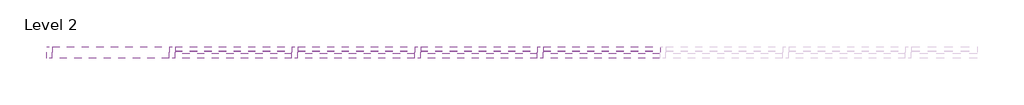
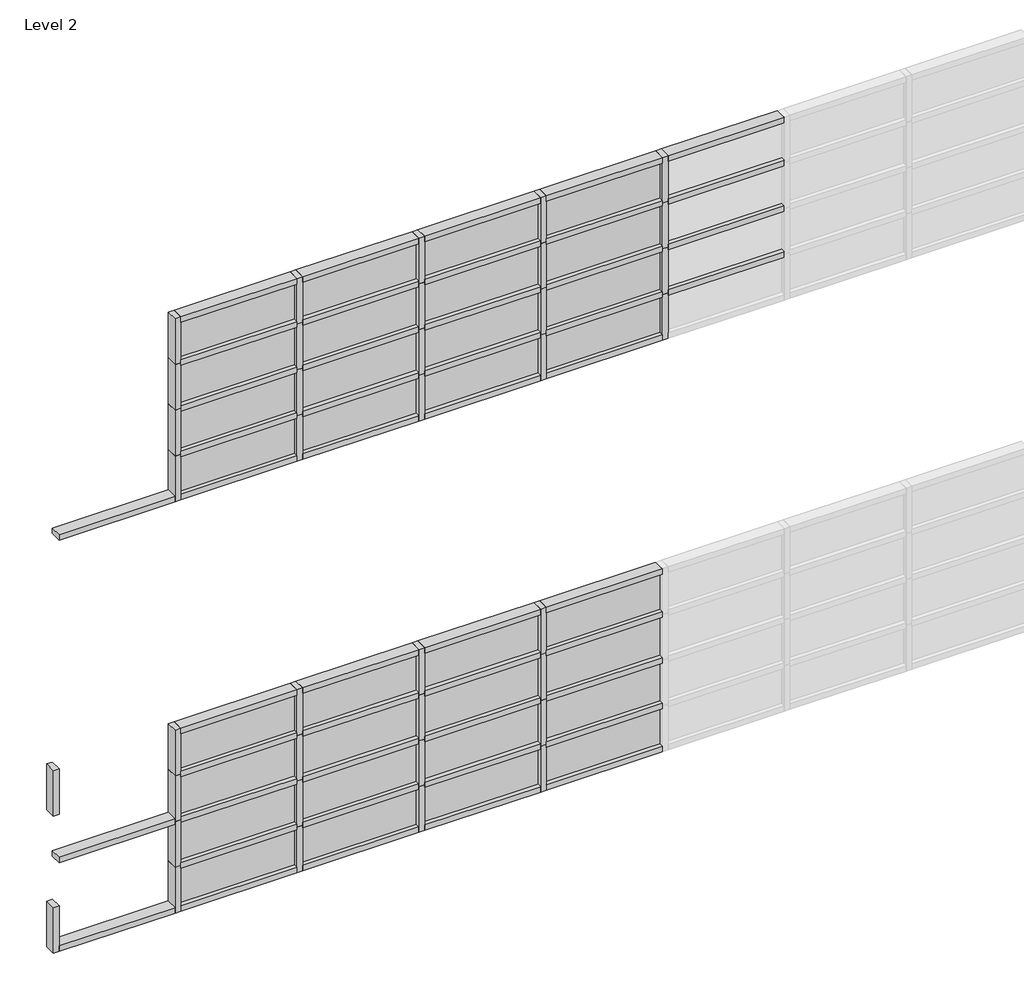
# One storey, part 4 of 6: 85 members, 32 plates.
"""IFC4 building model written with IfcOpenShell, lengths in millimetres."""

import ifcopenshell
import ifcopenshell.guid

model = None  # the IFC model being written
_history = None  # IfcOwnerHistory: only IFC2X3 demands one
_inside = {}  # id of a spatial element -> (the spatial element, [elements in it])
_under = {}  # id of a project, library or spatial element -> (it, [spatial elements below it])
_declared = {}  # id of a project -> (the project, [libraries it declares])
_typed = {}  # id of a type object -> (the type object, [elements of that type])
_made_of = {}  # id of a material, layer set ... -> (it, [elements and type objects made of it])


def new_model(schema):
    """Start an empty IFC model of exactly this schema.

    Asked for "IFC4X3", IfcOpenShell would pick the latest addendum, in which some entities
    have other attributes; the version numbers below select the first issue.
    IFC2X3 requires an IfcOwnerHistory on every rooted entity: one is made here for all.
    """
    global model, _history
    if schema == "IFC4X3":
        model = ifcopenshell.file(schema_version=(4, 3, 0, 0))
    else:
        model = ifcopenshell.file(schema=schema)
    _inside.clear()
    _under.clear()
    _declared.clear()
    _typed.clear()
    _made_of.clear()
    _history = None
    if model.schema == "IFC2X3":
        org = make("IfcOrganization", Name="unknown")
        user = make(
            "IfcPersonAndOrganization",
            ThePerson=make("IfcPerson", FamilyName="unknown"),
            TheOrganization=org,
        )
        app = make(
            "IfcApplication",
            ApplicationDeveloper=org,
            Version="unknown",
            ApplicationFullName="unknown",
            ApplicationIdentifier="unknown",
        )
        _history = make(
            "IfcOwnerHistory",
            OwningUser=user,
            OwningApplication=app,
            ChangeAction="ADDED",
            CreationDate=0,
        )
    return model


def make(cls, **values):
    """One entity of the class cls with the attributes given. An attribute that is None is left unset."""
    return model.create_entity(
        cls, **{name: value for name, value in values.items() if value is not None}
    )


def rooted(cls, **values):
    """An entity with a GlobalId (a new one), such as an element, a storey or a relation."""
    return make(cls, GlobalId=ifcopenshell.guid.new(), OwnerHistory=_history, **values)


def si_unit(unit_type, name, prefix=None):
    """IfcSIUnit, for example si_unit("LENGTHUNIT", "METRE", prefix="MILLI")."""
    return make("IfcSIUnit", UnitType=unit_type, Prefix=prefix, Name=name)


def assignment(units):
    """IfcUnitAssignment: the units of a project."""
    return None if units is None else make("IfcUnitAssignment", Units=units)


def point(xyz):
    """IfcCartesianPoint."""
    return None if xyz is None else make("IfcCartesianPoint", Coordinates=xyz)


def direction(xyz):
    """IfcDirection."""
    return None if xyz is None else make("IfcDirection", DirectionRatios=xyz)


def frame(location, z_axis=None, x_axis=None):
    """IfcAxis2Placement3D, a coordinate frame: its origin and axes. An axis left out is left unset."""
    return make(
        "IfcAxis2Placement3D",
        Location=point(location),
        Axis=direction(z_axis),
        RefDirection=direction(x_axis),
    )


def origin():
    """The frame at (0, 0, 0) with its axes left unset."""
    return frame((0.0, 0.0, 0.0))


def origin_with_axes():
    """The frame at (0, 0, 0) with the z axis (0, 0, 1) and the x axis (1, 0, 0) written out."""
    return frame((0.0, 0.0, 0.0), z_axis=(0.0, 0.0, 1.0), x_axis=(1.0, 0.0, 0.0))


def place(relative_to, where):
    """IfcLocalPlacement: puts the frame where relative to a parent placement (None: the world)."""
    return make(
        "IfcLocalPlacement", PlacementRelTo=relative_to, RelativePlacement=where
    )


def context(
    kind, dimensions, precision=None, world=None, true_north=None, identifier=None
):
    """IfcGeometricRepresentationContext, for example the 3D "Model" context."""
    return make(
        "IfcGeometricRepresentationContext",
        ContextIdentifier=identifier,
        ContextType=kind,
        CoordinateSpaceDimension=dimensions,
        Precision=precision,
        WorldCoordinateSystem=world,
        TrueNorth=true_north,
    )


def project(units=None, contexts=None):
    """IfcProject with its units and contexts."""
    return rooted(
        "IfcProject",
        Name="project",
        RepresentationContexts=contexts,
        UnitsInContext=assignment(units),
    )


def spatial(cls, under=None, at=None, **own):
    """A site, building, storey or space (cls), placed at a placement, below another one or the project."""
    s = rooted(cls, ObjectPlacement=at, **own)
    if under is not None:
        _under.setdefault(under.id(), (under, []))[1].append(s)
    return s


def polyline(points):
    """IfcPolyline through the points."""
    return make("IfcPolyline", Points=[point(p) for p in points])


def outline(outer, holes=None, kind="AREA"):
    """IfcArbitraryClosedProfileDef: a profile drawn as a closed curve; with holes, ...WithVoids."""
    if holes is None:
        return make("IfcArbitraryClosedProfileDef", ProfileType=kind, OuterCurve=outer)
    return make(
        "IfcArbitraryProfileDefWithVoids",
        ProfileType=kind,
        OuterCurve=outer,
        InnerCurves=holes,
    )


def extrude(swept, where, along, depth):
    """IfcExtrudedAreaSolid: the profile swept, set in the frame where, extruded along a direction by depth."""
    return make(
        "IfcExtrudedAreaSolid",
        SweptArea=swept,
        Position=where,
        ExtrudedDirection=direction(along),
        Depth=depth,
    )


def shape(context_of_items, identifier, shape_type, items):
    """IfcShapeRepresentation: the items that make up one representation, for example the "Body"."""
    return make(
        "IfcShapeRepresentation",
        ContextOfItems=context_of_items,
        RepresentationIdentifier=identifier,
        RepresentationType=shape_type,
        Items=items,
    )


def source(mapping_origin, context_of_items, identifier, shape_type, items):
    """IfcRepresentationMap: a shape defined once, which mapped items show again and again."""
    return make(
        "IfcRepresentationMap",
        MappingOrigin=mapping_origin,
        MappedRepresentation=shape(context_of_items, identifier, shape_type, items),
    )


def transform(
    local_origin,
    x_axis=None,
    y_axis=None,
    z_axis=None,
    scale=None,
    scale2=None,
    scale3=None,
    uniform=True,
):
    """IfcCartesianTransformationOperator3D, or its non-uniform kind. x_axis, y_axis, z_axis: its Axis1, 2, 3."""
    if uniform:
        return make(
            "IfcCartesianTransformationOperator3D",
            Axis1=direction(x_axis),
            Axis2=direction(y_axis),
            LocalOrigin=point(local_origin),
            Scale=scale,
            Axis3=direction(z_axis),
        )
    return make(
        "IfcCartesianTransformationOperator3DnonUniform",
        Axis1=direction(x_axis),
        Axis2=direction(y_axis),
        LocalOrigin=point(local_origin),
        Scale=scale,
        Axis3=direction(z_axis),
        Scale2=scale2,
        Scale3=scale3,
    )


def mapped(mapping_source, mapping_target):
    """IfcMappedItem: shows the shape of a source again, moved by a transform."""
    return make(
        "IfcMappedItem", MappingSource=mapping_source, MappingTarget=mapping_target
    )


def made_of(thing, what):
    """Note that an element or type object is made of a material, layer set ...; save() writes the relation."""
    if what is not None:
        _made_of.setdefault(what.id(), (what, []))[1].append(thing)
    return thing


def element(
    cls,
    number,
    at=None,
    inside=None,
    cuts=None,
    type_object=None,
    material=None,
    context=None,
    identifier="Body",
    shape_type=None,
    held_by="IfcProductDefinitionShape",
    body=None,
    shapes=None,
    **own,
):
    """One element of the class cls, such as IfcWall. Its Tag is "e" and its number.

    at: its placement. inside: the storey or other place that contains it. cuts: it is an
    opening in that element (IfcRelVoidsElement). A single representation is given by context,
    identifier, shape_type and body (its items); several are given by shapes. held_by: the class
    of the entity that holds the representations. save() writes the other relations.
    """
    e = rooted(cls, Tag="e%d" % number, ObjectPlacement=at, **own)
    if body is not None:
        shapes = [shape(context, identifier, shape_type, body)]
    if shapes is not None:
        e.Representation = make(held_by, Representations=shapes)
    if inside is not None:
        _inside.setdefault(inside.id(), (inside, []))[1].append(e)
    if cuts is not None:
        rooted(
            "IfcRelVoidsElement", RelatingBuildingElement=cuts, RelatedOpeningElement=e
        )
    if type_object is not None:
        _typed.setdefault(type_object.id(), (type_object, []))[1].append(e)
    return made_of(e, material)


def aggregate(whole, parts):
    """IfcRelAggregates: a whole, such as a stair, and the parts it consists of."""
    return rooted("IfcRelAggregates", RelatingObject=whole, RelatedObjects=parts)


def save(model, path):
    """Write the relations noted so far, then the file.

    IfcRelAggregates (storeys below a building ...), IfcRelContainedInSpatialStructure (elements
    in a storey), IfcRelDefinesByType, IfcRelAssociatesMaterial and IfcRelDeclares: one each for
    every whole, place, type object, material and project.
    """
    for whole, parts in _under.values():
        aggregate(whole, parts)
    for where, things in _inside.values():
        rooted(
            "IfcRelContainedInSpatialStructure",
            RelatedElements=things,
            RelatingStructure=where,
        )
    for kind, things in _typed.values():
        rooted("IfcRelDefinesByType", RelatedObjects=things, RelatingType=kind)
    for what, things in _made_of.values():
        rooted("IfcRelAssociatesMaterial", RelatedObjects=things, RelatingMaterial=what)
    for by, libraries in _declared.values():
        rooted("IfcRelDeclares", RelatingContext=by, RelatedDefinitions=libraries)
    model.write(path)


def rechteckiger_pfosten_6_x_12_57ab8b33(model_context):
    return source(origin(), model_context, "Body", "SweptSolid", [
        extrude(outline(polyline([(30.0, 60.0), (30.0, -60.0), (-30.0, -60.0), (-30.0, 60.0), (30.0, 60.0)])), frame((0.0, 0.0, -1200.625), z_axis=(0.0, 0.0, 1.0), x_axis=(1.0, 0.0, 0.0)), (0.0, 0.0, 1.0), 1200.625),
    ])


def rechteckiger_pfosten_6_x_12_1631a10d(model_context):
    return source(origin(), model_context, "Body", "SweptSolid", [
        extrude(outline(polyline([(0.0, 60.0), (0.0, -60.0), (-60.0, -60.0), (-60.0, 60.0), (0.0, 60.0)])), frame((0.0, 0.0, -1200.625), z_axis=(0.0, 0.0, 1.0), x_axis=(1.0, 0.0, 0.0)), (0.0, 0.0, 1.0), 1200.625),
    ])


def rechteckiger_pfosten_6_x_12_57de19b3(model_context):
    return source(origin(), model_context, "Body", "SweptSolid", [
        extrude(outline(polyline([(30.0, 60.0), (30.0, -60.0), (-30.0, -60.0), (-30.0, 60.0), (30.0, 60.0)])), frame((0.0, 0.0, -500.0), z_axis=(0.0, 0.0, 1.0), x_axis=(1.0, 0.0, 0.0)), (0.0, 0.0, 1.0), 500.0),
    ])


def systemelement_verglasung_12eb7eeb(model_context):
    return source(origin(), model_context, "Body", "SweptSolid", [
        extrude(outline(polyline([(600.3125, -15.0), (-600.3125, -15.0), (-600.3125, 15.0), (600.3125, 15.0), (600.3125, -15.0)])), origin_with_axes(), (0.0, 0.0, 1.0), 410.0),
    ])


def systemelement_verglasung_6db45de5(model_context):
    return source(origin(), model_context, "Body", "SweptSolid", [
        extrude(outline(polyline([(600.3125, -15.0), (-600.3125, -15.0), (-600.3125, 15.0), (600.3125, 15.0), (600.3125, -15.0)])), origin_with_axes(), (0.0, 0.0, 1.0), 440.0),
    ])


model = new_model("IFC4")

# Units and contexts
model_context = context("Model", 3, world=origin())
ifc_project = project(units=[si_unit("LENGTHUNIT", "METRE", prefix="MILLI")], contexts=[model_context])

# Site, building, storey
site = spatial("IfcSite", under=ifc_project)
building = spatial("IfcBuilding", under=site)
storey = spatial("IfcBuildingStorey", under=building, Name="Level 2", Elevation=4000.0)

# Members
placement = place(None, origin())
rechteckiger_pfosten_6_x_12_shape = rechteckiger_pfosten_6_x_12_57ab8b33(model_context)
element("IfcMember", 1, ObjectType="Rechteckiger Pfosten : 6 x 12", at=placement, inside=storey, context=model_context, shape_type="MappedRepresentation", body=[
    mapped(rechteckiger_pfosten_6_x_12_shape, transform((-1347.5187212, -5607.2112506, 11000.0), x_axis=(0.0, 0.0, 1.0), y_axis=(0.0, 1.0, 0.0), z_axis=(-1.0, 0.0, 0.0))),
])
element("IfcMember", 2, ObjectType="Rechteckiger Pfosten : 6 x 12", at=placement, inside=storey, context=model_context, shape_type="MappedRepresentation", body=[
    mapped(rechteckiger_pfosten_6_x_12_shape, transform((-2608.1437212, -5607.2112506, 11000.0), x_axis=(0.0, 0.0, 1.0), y_axis=(0.0, 1.0, 0.0), z_axis=(-1.0, 0.0, 0.0))),
])
element("IfcMember", 3, ObjectType="Rechteckiger Pfosten : 6 x 12", at=placement, inside=storey, context=model_context, shape_type="MappedRepresentation", body=[
    mapped(rechteckiger_pfosten_6_x_12_shape, transform((-3868.7687212, -5607.2112506, 11000.0), x_axis=(0.0, 0.0, 1.0), y_axis=(0.0, 1.0, 0.0), z_axis=(-1.0, 0.0, 0.0))),
])
element("IfcMember", 4, ObjectType="Rechteckiger Pfosten : 6 x 12", at=placement, inside=storey, context=model_context, shape_type="MappedRepresentation", body=[
    mapped(rechteckiger_pfosten_6_x_12_shape, transform((-5129.3937212, -5607.2112506, 11000.0), x_axis=(0.0, 0.0, 1.0), y_axis=(0.0, 1.0, 0.0), z_axis=(-1.0, 0.0, 0.0))),
])
element("IfcMember", 5, ObjectType="Rechteckiger Pfosten : 6 x 12", at=placement, inside=storey, context=model_context, shape_type="MappedRepresentation", body=[
    mapped(rechteckiger_pfosten_6_x_12_shape, transform((-6390.0187212, -5607.2112506, 11000.0), x_axis=(0.0, 0.0, 1.0), y_axis=(0.0, 1.0, 0.0), z_axis=(-1.0, 0.0, 0.0))),
])
element("IfcMember", 6, ObjectType="Rechteckiger Pfosten : 6 x 12", at=placement, inside=storey, context=model_context, shape_type="MappedRepresentation", body=[
    mapped(rechteckiger_pfosten_6_x_12_shape, transform((-1347.5187212, -5607.2112506, 12000.0), x_axis=(0.0, 0.0, 1.0), y_axis=(0.0, 1.0, 0.0), z_axis=(-1.0, 0.0, 0.0))),
])
element("IfcMember", 7, ObjectType="Rechteckiger Pfosten : 6 x 12", at=placement, inside=storey, context=model_context, shape_type="MappedRepresentation", body=[
    mapped(rechteckiger_pfosten_6_x_12_shape, transform((-2608.1437212, -5607.2112506, 12000.0), x_axis=(0.0, 0.0, 1.0), y_axis=(0.0, 1.0, 0.0), z_axis=(-1.0, 0.0, 0.0))),
])
element("IfcMember", 8, ObjectType="Rechteckiger Pfosten : 6 x 12", at=placement, inside=storey, context=model_context, shape_type="MappedRepresentation", body=[
    mapped(rechteckiger_pfosten_6_x_12_shape, transform((-3868.7687212, -5607.2112506, 12000.0), x_axis=(0.0, 0.0, 1.0), y_axis=(0.0, 1.0, 0.0), z_axis=(-1.0, 0.0, 0.0))),
])
element("IfcMember", 9, ObjectType="Rechteckiger Pfosten : 6 x 12", at=placement, inside=storey, context=model_context, shape_type="MappedRepresentation", body=[
    mapped(rechteckiger_pfosten_6_x_12_shape, transform((-5129.3937212, -5607.2112506, 12000.0), x_axis=(0.0, 0.0, 1.0), y_axis=(0.0, 1.0, 0.0), z_axis=(-1.0, 0.0, 0.0))),
])
element("IfcMember", 10, ObjectType="Rechteckiger Pfosten : 6 x 12", at=placement, inside=storey, context=model_context, shape_type="MappedRepresentation", body=[
    mapped(rechteckiger_pfosten_6_x_12_shape, transform((-6390.0187212, -5607.2112506, 12000.0), x_axis=(0.0, 0.0, 1.0), y_axis=(0.0, 1.0, 0.0), z_axis=(-1.0, 0.0, 0.0))),
])
element("IfcMember", 11, ObjectType="Rechteckiger Pfosten : 6 x 12", at=placement, inside=storey, context=model_context, shape_type="MappedRepresentation", body=[
    mapped(rechteckiger_pfosten_6_x_12_shape, transform((-1347.5187212, -5607.2112506, 11500.0), x_axis=(0.0, 0.0, 1.0), y_axis=(0.0, 1.0, 0.0), z_axis=(-1.0, 0.0, 0.0))),
])
element("IfcMember", 12, ObjectType="Rechteckiger Pfosten : 6 x 12", at=placement, inside=storey, context=model_context, shape_type="MappedRepresentation", body=[
    mapped(rechteckiger_pfosten_6_x_12_shape, transform((-2608.1437212, -5607.2112506, 11500.0), x_axis=(0.0, 0.0, 1.0), y_axis=(0.0, 1.0, 0.0), z_axis=(-1.0, 0.0, 0.0))),
])
element("IfcMember", 13, ObjectType="Rechteckiger Pfosten : 6 x 12", at=placement, inside=storey, context=model_context, shape_type="MappedRepresentation", body=[
    mapped(rechteckiger_pfosten_6_x_12_shape, transform((-3868.7687212, -5607.2112506, 11500.0), x_axis=(0.0, 0.0, 1.0), y_axis=(0.0, 1.0, 0.0), z_axis=(-1.0, 0.0, 0.0))),
])
element("IfcMember", 14, ObjectType="Rechteckiger Pfosten : 6 x 12", at=placement, inside=storey, context=model_context, shape_type="MappedRepresentation", body=[
    mapped(rechteckiger_pfosten_6_x_12_shape, transform((-5129.3937212, -5607.2112506, 11500.0), x_axis=(0.0, 0.0, 1.0), y_axis=(0.0, 1.0, 0.0), z_axis=(-1.0, 0.0, 0.0))),
])
element("IfcMember", 15, ObjectType="Rechteckiger Pfosten : 6 x 12", at=placement, inside=storey, context=model_context, shape_type="MappedRepresentation", body=[
    mapped(rechteckiger_pfosten_6_x_12_shape, transform((-6390.0187212, -5607.2112506, 11500.0), x_axis=(0.0, 0.0, 1.0), y_axis=(0.0, 1.0, 0.0), z_axis=(-1.0, 0.0, 0.0))),
])
element("IfcMember", 16, ObjectType="Rechteckiger Pfosten : 6 x 12", at=placement, inside=storey, context=model_context, shape_type="MappedRepresentation", body=[
    mapped(rechteckiger_pfosten_6_x_12_shape, transform((-2608.1437212, -5607.2112506, 6500.0), x_axis=(0.0, 0.0, 1.0), y_axis=(0.0, 1.0, 0.0), z_axis=(-1.0, 0.0, 0.0))),
])
element("IfcMember", 17, ObjectType="Rechteckiger Pfosten : 6 x 12", at=placement, inside=storey, context=model_context, shape_type="MappedRepresentation", body=[
    mapped(rechteckiger_pfosten_6_x_12_shape, transform((-3868.7687212, -5607.2112506, 6500.0), x_axis=(0.0, 0.0, 1.0), y_axis=(0.0, 1.0, 0.0), z_axis=(-1.0, 0.0, 0.0))),
])
element("IfcMember", 18, ObjectType="Rechteckiger Pfosten : 6 x 12", at=placement, inside=storey, context=model_context, shape_type="MappedRepresentation", body=[
    mapped(rechteckiger_pfosten_6_x_12_shape, transform((-5129.3937212, -5607.2112506, 6500.0), x_axis=(0.0, 0.0, 1.0), y_axis=(0.0, 1.0, 0.0), z_axis=(-1.0, 0.0, 0.0))),
])
element("IfcMember", 19, ObjectType="Rechteckiger Pfosten : 6 x 12", at=placement, inside=storey, context=model_context, shape_type="MappedRepresentation", body=[
    mapped(rechteckiger_pfosten_6_x_12_shape, transform((-6390.0187212, -5607.2112506, 6500.0), x_axis=(0.0, 0.0, 1.0), y_axis=(0.0, 1.0, 0.0), z_axis=(-1.0, 0.0, 0.0))),
])
element("IfcMember", 20, ObjectType="Rechteckiger Pfosten : 6 x 12", at=placement, inside=storey, context=model_context, shape_type="MappedRepresentation", body=[
    mapped(rechteckiger_pfosten_6_x_12_shape, transform((-2608.1437212, -5607.2112506, 7500.0), x_axis=(0.0, 0.0, 1.0), y_axis=(0.0, 1.0, 0.0), z_axis=(-1.0, 0.0, 0.0))),
])
element("IfcMember", 21, ObjectType="Rechteckiger Pfosten : 6 x 12", at=placement, inside=storey, context=model_context, shape_type="MappedRepresentation", body=[
    mapped(rechteckiger_pfosten_6_x_12_shape, transform((-3868.7687212, -5607.2112506, 7500.0), x_axis=(0.0, 0.0, 1.0), y_axis=(0.0, 1.0, 0.0), z_axis=(-1.0, 0.0, 0.0))),
])
element("IfcMember", 22, ObjectType="Rechteckiger Pfosten : 6 x 12", at=placement, inside=storey, context=model_context, shape_type="MappedRepresentation", body=[
    mapped(rechteckiger_pfosten_6_x_12_shape, transform((-5129.3937212, -5607.2112506, 7500.0), x_axis=(0.0, 0.0, 1.0), y_axis=(0.0, 1.0, 0.0), z_axis=(-1.0, 0.0, 0.0))),
])
element("IfcMember", 23, ObjectType="Rechteckiger Pfosten : 6 x 12", at=placement, inside=storey, context=model_context, shape_type="MappedRepresentation", body=[
    mapped(rechteckiger_pfosten_6_x_12_shape, transform((-6390.0187212, -5607.2112506, 7500.0), x_axis=(0.0, 0.0, 1.0), y_axis=(0.0, 1.0, 0.0), z_axis=(-1.0, 0.0, 0.0))),
])
element("IfcMember", 24, ObjectType="Rechteckiger Pfosten : 6 x 12", at=placement, inside=storey, context=model_context, shape_type="MappedRepresentation", body=[
    mapped(rechteckiger_pfosten_6_x_12_shape, transform((-2608.1437212, -5607.2112506, 7000.0), x_axis=(0.0, 0.0, 1.0), y_axis=(0.0, 1.0, 0.0), z_axis=(-1.0, 0.0, 0.0))),
])
element("IfcMember", 25, ObjectType="Rechteckiger Pfosten : 6 x 12", at=placement, inside=storey, context=model_context, shape_type="MappedRepresentation", body=[
    mapped(rechteckiger_pfosten_6_x_12_shape, transform((-3868.7687212, -5607.2112506, 7000.0), x_axis=(0.0, 0.0, 1.0), y_axis=(0.0, 1.0, 0.0), z_axis=(-1.0, 0.0, 0.0))),
])
element("IfcMember", 26, ObjectType="Rechteckiger Pfosten : 6 x 12", at=placement, inside=storey, context=model_context, shape_type="MappedRepresentation", body=[
    mapped(rechteckiger_pfosten_6_x_12_shape, transform((-5129.3937212, -5607.2112506, 7000.0), x_axis=(0.0, 0.0, 1.0), y_axis=(0.0, 1.0, 0.0), z_axis=(-1.0, 0.0, 0.0))),
])
element("IfcMember", 27, ObjectType="Rechteckiger Pfosten : 6 x 12", at=placement, inside=storey, context=model_context, shape_type="MappedRepresentation", body=[
    mapped(rechteckiger_pfosten_6_x_12_shape, transform((-6390.0187212, -5607.2112506, 7000.0), x_axis=(0.0, 0.0, 1.0), y_axis=(0.0, 1.0, 0.0), z_axis=(-1.0, 0.0, 0.0))),
])
element("IfcMember", 28, ObjectType="Rechteckiger Pfosten : 6 x 12", at=placement, inside=storey, context=model_context, shape_type="MappedRepresentation", body=[
    mapped(rechteckiger_pfosten_6_x_12_shape, transform((-7650.6437212, -5607.2112506, 7000.0), x_axis=(0.0, 0.0, 1.0), y_axis=(0.0, 1.0, 0.0), z_axis=(-1.0, 0.0, 0.0))),
])
rechteckiger_pfosten_6_x_12_2_shape = rechteckiger_pfosten_6_x_12_1631a10d(model_context)
element("IfcMember", 29, ObjectType="Rechteckiger Pfosten : 6 x 12", at=placement, inside=storey, context=model_context, shape_type="MappedRepresentation", body=[
    mapped(rechteckiger_pfosten_6_x_12_2_shape, transform((-1407.5187212, -5607.2112506, 10500.0), x_axis=(0.0, 0.0, -1.0), y_axis=(0.0, 1.0, 0.0), z_axis=(1.0, 0.0, 0.0))),
])
element("IfcMember", 30, ObjectType="Rechteckiger Pfosten : 6 x 12", at=placement, inside=storey, context=model_context, shape_type="MappedRepresentation", body=[
    mapped(rechteckiger_pfosten_6_x_12_2_shape, transform((-2668.1437212, -5607.2112506, 10500.0), x_axis=(0.0, 0.0, -1.0), y_axis=(0.0, 1.0, 0.0), z_axis=(1.0, 0.0, 0.0))),
])
element("IfcMember", 31, ObjectType="Rechteckiger Pfosten : 6 x 12", at=placement, inside=storey, context=model_context, shape_type="MappedRepresentation", body=[
    mapped(rechteckiger_pfosten_6_x_12_2_shape, transform((-3928.7687212, -5607.2112506, 10500.0), x_axis=(0.0, 0.0, -1.0), y_axis=(0.0, 1.0, 0.0), z_axis=(1.0, 0.0, 0.0))),
])
element("IfcMember", 32, ObjectType="Rechteckiger Pfosten : 6 x 12", at=placement, inside=storey, context=model_context, shape_type="MappedRepresentation", body=[
    mapped(rechteckiger_pfosten_6_x_12_2_shape, transform((-5189.3937212, -5607.2112506, 10500.0), x_axis=(0.0, 0.0, -1.0), y_axis=(0.0, 1.0, 0.0), z_axis=(1.0, 0.0, 0.0))),
])
element("IfcMember", 33, ObjectType="Rechteckiger Pfosten : 6 x 12", at=placement, inside=storey, context=model_context, shape_type="MappedRepresentation", body=[
    mapped(rechteckiger_pfosten_6_x_12_2_shape, transform((-6450.0187212, -5607.2112506, 10500.0), x_axis=(0.0, 0.0, -1.0), y_axis=(0.0, 1.0, 0.0), z_axis=(1.0, 0.0, 0.0))),
])
element("IfcMember", 34, ObjectType="Rechteckiger Pfosten : 6 x 12", at=placement, inside=storey, context=model_context, shape_type="MappedRepresentation", body=[
    mapped(rechteckiger_pfosten_6_x_12_2_shape, transform((-1407.5187212, -5607.2112506, 6000.0), x_axis=(0.0, 0.0, -1.0), y_axis=(0.0, 1.0, 0.0), z_axis=(1.0, 0.0, 0.0))),
])
element("IfcMember", 35, ObjectType="Rechteckiger Pfosten : 6 x 12", at=placement, inside=storey, context=model_context, shape_type="MappedRepresentation", body=[
    mapped(rechteckiger_pfosten_6_x_12_2_shape, transform((-2668.1437212, -5607.2112506, 6000.0), x_axis=(0.0, 0.0, -1.0), y_axis=(0.0, 1.0, 0.0), z_axis=(1.0, 0.0, 0.0))),
])
element("IfcMember", 36, ObjectType="Rechteckiger Pfosten : 6 x 12", at=placement, inside=storey, context=model_context, shape_type="MappedRepresentation", body=[
    mapped(rechteckiger_pfosten_6_x_12_2_shape, transform((-3928.7687212, -5607.2112506, 6000.0), x_axis=(0.0, 0.0, -1.0), y_axis=(0.0, 1.0, 0.0), z_axis=(1.0, 0.0, 0.0))),
])
element("IfcMember", 37, ObjectType="Rechteckiger Pfosten : 6 x 12", at=placement, inside=storey, context=model_context, shape_type="MappedRepresentation", body=[
    mapped(rechteckiger_pfosten_6_x_12_2_shape, transform((-5189.3937212, -5607.2112506, 6000.0), x_axis=(0.0, 0.0, -1.0), y_axis=(0.0, 1.0, 0.0), z_axis=(1.0, 0.0, 0.0))),
])
element("IfcMember", 38, ObjectType="Rechteckiger Pfosten : 6 x 12", at=placement, inside=storey, context=model_context, shape_type="MappedRepresentation", body=[
    mapped(rechteckiger_pfosten_6_x_12_2_shape, transform((-6450.0187212, -5607.2112506, 6000.0), x_axis=(0.0, 0.0, -1.0), y_axis=(0.0, 1.0, 0.0), z_axis=(1.0, 0.0, 0.0))),
])
rechteckiger_pfosten_6_x_12_3_shape = rechteckiger_pfosten_6_x_12_57de19b3(model_context)
element("IfcMember", 39, ObjectType="Rechteckiger Pfosten : 6 x 12", at=placement, inside=storey, context=model_context, shape_type="MappedRepresentation", body=[
    mapped(rechteckiger_pfosten_6_x_12_3_shape, transform((-1377.5187212, -5607.2112506, 11000.0), x_axis=(-1.0, 0.0, 0.0), y_axis=(0.0, 1.0, 0.0), z_axis=(0.0, 0.0, -1.0))),
])
element("IfcMember", 40, ObjectType="Rechteckiger Pfosten : 6 x 12", at=placement, inside=storey, context=model_context, shape_type="MappedRepresentation", body=[
    mapped(rechteckiger_pfosten_6_x_12_3_shape, transform((-1377.5187212, -5607.2112506, 11500.0), x_axis=(-1.0, 0.0, 0.0), y_axis=(0.0, 1.0, 0.0), z_axis=(0.0, 0.0, -1.0))),
])
element("IfcMember", 41, ObjectType="Rechteckiger Pfosten : 6 x 12", at=placement, inside=storey, context=model_context, shape_type="MappedRepresentation", body=[
    mapped(rechteckiger_pfosten_6_x_12_3_shape, transform((-6420.0187212, -5607.2112506, 11000.0), x_axis=(-1.0, 0.0, 0.0), y_axis=(0.0, 1.0, 0.0), z_axis=(0.0, 0.0, -1.0))),
])
element("IfcMember", 42, ObjectType="Rechteckiger Pfosten : 6 x 12", at=placement, inside=storey, context=model_context, shape_type="MappedRepresentation", body=[
    mapped(rechteckiger_pfosten_6_x_12_3_shape, transform((-6420.0187212, -5607.2112506, 11500.0), x_axis=(-1.0, 0.0, 0.0), y_axis=(0.0, 1.0, 0.0), z_axis=(0.0, 0.0, -1.0))),
])
element("IfcMember", 43, ObjectType="Rechteckiger Pfosten : 6 x 12", at=placement, inside=storey, context=model_context, shape_type="MappedRepresentation", body=[
    mapped(rechteckiger_pfosten_6_x_12_3_shape, transform((-5159.3937212, -5607.2112506, 11000.0), x_axis=(-1.0, 0.0, 0.0), y_axis=(0.0, 1.0, 0.0), z_axis=(0.0, 0.0, -1.0))),
])
element("IfcMember", 44, ObjectType="Rechteckiger Pfosten : 6 x 12", at=placement, inside=storey, context=model_context, shape_type="MappedRepresentation", body=[
    mapped(rechteckiger_pfosten_6_x_12_3_shape, transform((-5159.3937212, -5607.2112506, 11500.0), x_axis=(-1.0, 0.0, 0.0), y_axis=(0.0, 1.0, 0.0), z_axis=(0.0, 0.0, -1.0))),
])
element("IfcMember", 45, ObjectType="Rechteckiger Pfosten : 6 x 12", at=placement, inside=storey, context=model_context, shape_type="MappedRepresentation", body=[
    mapped(rechteckiger_pfosten_6_x_12_3_shape, transform((-3898.7687212, -5607.2112506, 11000.0), x_axis=(-1.0, 0.0, 0.0), y_axis=(0.0, 1.0, 0.0), z_axis=(0.0, 0.0, -1.0))),
])
element("IfcMember", 46, ObjectType="Rechteckiger Pfosten : 6 x 12", at=placement, inside=storey, context=model_context, shape_type="MappedRepresentation", body=[
    mapped(rechteckiger_pfosten_6_x_12_3_shape, transform((-3898.7687212, -5607.2112506, 11500.0), x_axis=(-1.0, 0.0, 0.0), y_axis=(0.0, 1.0, 0.0), z_axis=(0.0, 0.0, -1.0))),
])
element("IfcMember", 47, ObjectType="Rechteckiger Pfosten : 6 x 12", at=placement, inside=storey, context=model_context, shape_type="MappedRepresentation", body=[
    mapped(rechteckiger_pfosten_6_x_12_3_shape, transform((-2638.1437212, -5607.2112506, 11000.0), x_axis=(-1.0, 0.0, 0.0), y_axis=(0.0, 1.0, 0.0), z_axis=(0.0, 0.0, -1.0))),
])
element("IfcMember", 48, ObjectType="Rechteckiger Pfosten : 6 x 12", at=placement, inside=storey, context=model_context, shape_type="MappedRepresentation", body=[
    mapped(rechteckiger_pfosten_6_x_12_3_shape, transform((-2638.1437212, -5607.2112506, 11500.0), x_axis=(-1.0, 0.0, 0.0), y_axis=(0.0, 1.0, 0.0), z_axis=(0.0, 0.0, -1.0))),
])
element("IfcMember", 49, ObjectType="Rechteckiger Pfosten : 6 x 12", at=placement, inside=storey, context=model_context, shape_type="MappedRepresentation", body=[
    mapped(rechteckiger_pfosten_6_x_12_3_shape, transform((-6420.0187212, -5607.2112506, 6500.0), x_axis=(-1.0, 0.0, 0.0), y_axis=(0.0, 1.0, 0.0), z_axis=(0.0, 0.0, -1.0))),
])
element("IfcMember", 50, ObjectType="Rechteckiger Pfosten : 6 x 12", at=placement, inside=storey, context=model_context, shape_type="MappedRepresentation", body=[
    mapped(rechteckiger_pfosten_6_x_12_3_shape, transform((-6420.0187212, -5607.2112506, 7000.0), x_axis=(-1.0, 0.0, 0.0), y_axis=(0.0, 1.0, 0.0), z_axis=(0.0, 0.0, -1.0))),
])
element("IfcMember", 51, ObjectType="Rechteckiger Pfosten : 6 x 12", at=placement, inside=storey, context=model_context, shape_type="MappedRepresentation", body=[
    mapped(rechteckiger_pfosten_6_x_12_3_shape, transform((-5159.3937212, -5607.2112506, 6500.0), x_axis=(-1.0, 0.0, 0.0), y_axis=(0.0, 1.0, 0.0), z_axis=(0.0, 0.0, -1.0))),
])
element("IfcMember", 52, ObjectType="Rechteckiger Pfosten : 6 x 12", at=placement, inside=storey, context=model_context, shape_type="MappedRepresentation", body=[
    mapped(rechteckiger_pfosten_6_x_12_3_shape, transform((-5159.3937212, -5607.2112506, 7000.0), x_axis=(-1.0, 0.0, 0.0), y_axis=(0.0, 1.0, 0.0), z_axis=(0.0, 0.0, -1.0))),
])
element("IfcMember", 53, ObjectType="Rechteckiger Pfosten : 6 x 12", at=placement, inside=storey, context=model_context, shape_type="MappedRepresentation", body=[
    mapped(rechteckiger_pfosten_6_x_12_3_shape, transform((-3898.7687212, -5607.2112506, 6500.0), x_axis=(-1.0, 0.0, 0.0), y_axis=(0.0, 1.0, 0.0), z_axis=(0.0, 0.0, -1.0))),
])
element("IfcMember", 54, ObjectType="Rechteckiger Pfosten : 6 x 12", at=placement, inside=storey, context=model_context, shape_type="MappedRepresentation", body=[
    mapped(rechteckiger_pfosten_6_x_12_3_shape, transform((-3898.7687212, -5607.2112506, 7000.0), x_axis=(-1.0, 0.0, 0.0), y_axis=(0.0, 1.0, 0.0), z_axis=(0.0, 0.0, -1.0))),
])
element("IfcMember", 55, ObjectType="Rechteckiger Pfosten : 6 x 12", at=placement, inside=storey, context=model_context, shape_type="MappedRepresentation", body=[
    mapped(rechteckiger_pfosten_6_x_12_3_shape, transform((-2638.1437212, -5607.2112506, 6500.0), x_axis=(-1.0, 0.0, 0.0), y_axis=(0.0, 1.0, 0.0), z_axis=(0.0, 0.0, -1.0))),
])
element("IfcMember", 56, ObjectType="Rechteckiger Pfosten : 6 x 12", at=placement, inside=storey, context=model_context, shape_type="MappedRepresentation", body=[
    mapped(rechteckiger_pfosten_6_x_12_3_shape, transform((-2638.1437212, -5607.2112506, 7000.0), x_axis=(-1.0, 0.0, 0.0), y_axis=(0.0, 1.0, 0.0), z_axis=(0.0, 0.0, -1.0))),
])
element("IfcMember", 57, ObjectType="Rechteckiger Pfosten : 6 x 12", at=placement, inside=storey, context=model_context, shape_type="MappedRepresentation", body=[
    mapped(rechteckiger_pfosten_6_x_12_3_shape, transform((-6420.0187212, -5607.2112506, 10500.0), x_axis=(-1.0, 0.0, 0.0), y_axis=(0.0, 1.0, 0.0), z_axis=(0.0, 0.0, -1.0))),
])
element("IfcMember", 58, ObjectType="Rechteckiger Pfosten : 6 x 12", at=placement, inside=storey, context=model_context, shape_type="MappedRepresentation", body=[
    mapped(rechteckiger_pfosten_6_x_12_3_shape, transform((-5159.3937212, -5607.2112506, 10500.0), x_axis=(-1.0, 0.0, 0.0), y_axis=(0.0, 1.0, 0.0), z_axis=(0.0, 0.0, -1.0))),
])
element("IfcMember", 59, ObjectType="Rechteckiger Pfosten : 6 x 12", at=placement, inside=storey, context=model_context, shape_type="MappedRepresentation", body=[
    mapped(rechteckiger_pfosten_6_x_12_3_shape, transform((-3898.7687212, -5607.2112506, 10500.0), x_axis=(-1.0, 0.0, 0.0), y_axis=(0.0, 1.0, 0.0), z_axis=(0.0, 0.0, -1.0))),
])
element("IfcMember", 60, ObjectType="Rechteckiger Pfosten : 6 x 12", at=placement, inside=storey, context=model_context, shape_type="MappedRepresentation", body=[
    mapped(rechteckiger_pfosten_6_x_12_3_shape, transform((-2638.1437212, -5607.2112506, 10500.0), x_axis=(-1.0, 0.0, 0.0), y_axis=(0.0, 1.0, 0.0), z_axis=(0.0, 0.0, -1.0))),
])
element("IfcMember", 61, ObjectType="Rechteckiger Pfosten : 6 x 12", at=placement, inside=storey, context=model_context, shape_type="MappedRepresentation", body=[
    mapped(rechteckiger_pfosten_6_x_12_3_shape, transform((-1377.5187212, -5607.2112506, 10500.0), x_axis=(-1.0, 0.0, 0.0), y_axis=(0.0, 1.0, 0.0), z_axis=(0.0, 0.0, -1.0))),
])
element("IfcMember", 62, ObjectType="Rechteckiger Pfosten : 6 x 12", at=placement, inside=storey, context=model_context, shape_type="MappedRepresentation", body=[
    mapped(rechteckiger_pfosten_6_x_12_3_shape, transform((-7680.6437212, -5607.2112506, 6000.0), x_axis=(-1.0, 0.0, 0.0), y_axis=(0.0, 1.0, 0.0), z_axis=(0.0, 0.0, -1.0))),
])
element("IfcMember", 63, ObjectType="Rechteckiger Pfosten : 6 x 12", at=placement, inside=storey, context=model_context, shape_type="MappedRepresentation", body=[
    mapped(rechteckiger_pfosten_6_x_12_3_shape, transform((-6420.0187212, -5607.2112506, 6000.0), x_axis=(-1.0, 0.0, 0.0), y_axis=(0.0, 1.0, 0.0), z_axis=(0.0, 0.0, -1.0))),
])
element("IfcMember", 64, ObjectType="Rechteckiger Pfosten : 6 x 12", at=placement, inside=storey, context=model_context, shape_type="MappedRepresentation", body=[
    mapped(rechteckiger_pfosten_6_x_12_3_shape, transform((-5159.3937212, -5607.2112506, 6000.0), x_axis=(-1.0, 0.0, 0.0), y_axis=(0.0, 1.0, 0.0), z_axis=(0.0, 0.0, -1.0))),
])
element("IfcMember", 65, ObjectType="Rechteckiger Pfosten : 6 x 12", at=placement, inside=storey, context=model_context, shape_type="MappedRepresentation", body=[
    mapped(rechteckiger_pfosten_6_x_12_3_shape, transform((-3898.7687212, -5607.2112506, 6000.0), x_axis=(-1.0, 0.0, 0.0), y_axis=(0.0, 1.0, 0.0), z_axis=(0.0, 0.0, -1.0))),
])
element("IfcMember", 66, ObjectType="Rechteckiger Pfosten : 6 x 12", at=placement, inside=storey, context=model_context, shape_type="MappedRepresentation", body=[
    mapped(rechteckiger_pfosten_6_x_12_3_shape, transform((-2638.1437212, -5607.2112506, 6000.0), x_axis=(-1.0, 0.0, 0.0), y_axis=(0.0, 1.0, 0.0), z_axis=(0.0, 0.0, -1.0))),
])
element("IfcMember", 67, ObjectType="Rechteckiger Pfosten : 6 x 12", at=placement, inside=storey, context=model_context, shape_type="MappedRepresentation", body=[
    mapped(rechteckiger_pfosten_6_x_12_3_shape, transform((-1377.5187212, -5607.2112506, 12000.0), x_axis=(-1.0, 0.0, 0.0), y_axis=(0.0, 1.0, 0.0), z_axis=(0.0, 0.0, -1.0))),
])
element("IfcMember", 68, ObjectType="Rechteckiger Pfosten : 6 x 12", at=placement, inside=storey, context=model_context, shape_type="MappedRepresentation", body=[
    mapped(rechteckiger_pfosten_6_x_12_3_shape, transform((-6420.0187212, -5607.2112506, 12000.0), x_axis=(-1.0, 0.0, 0.0), y_axis=(0.0, 1.0, 0.0), z_axis=(0.0, 0.0, -1.0))),
])
element("IfcMember", 69, ObjectType="Rechteckiger Pfosten : 6 x 12", at=placement, inside=storey, context=model_context, shape_type="MappedRepresentation", body=[
    mapped(rechteckiger_pfosten_6_x_12_3_shape, transform((-5159.3937212, -5607.2112506, 12000.0), x_axis=(-1.0, 0.0, 0.0), y_axis=(0.0, 1.0, 0.0), z_axis=(0.0, 0.0, -1.0))),
])
element("IfcMember", 70, ObjectType="Rechteckiger Pfosten : 6 x 12", at=placement, inside=storey, context=model_context, shape_type="MappedRepresentation", body=[
    mapped(rechteckiger_pfosten_6_x_12_3_shape, transform((-3898.7687212, -5607.2112506, 12000.0), x_axis=(-1.0, 0.0, 0.0), y_axis=(0.0, 1.0, 0.0), z_axis=(0.0, 0.0, -1.0))),
])
element("IfcMember", 71, ObjectType="Rechteckiger Pfosten : 6 x 12", at=placement, inside=storey, context=model_context, shape_type="MappedRepresentation", body=[
    mapped(rechteckiger_pfosten_6_x_12_3_shape, transform((-2638.1437212, -5607.2112506, 12000.0), x_axis=(-1.0, 0.0, 0.0), y_axis=(0.0, 1.0, 0.0), z_axis=(0.0, 0.0, -1.0))),
])
element("IfcMember", 72, ObjectType="Rechteckiger Pfosten : 6 x 12", at=placement, inside=storey, context=model_context, shape_type="MappedRepresentation", body=[
    mapped(rechteckiger_pfosten_6_x_12_3_shape, transform((-7680.6437212, -5607.2112506, 7500.0), x_axis=(-1.0, 0.0, 0.0), y_axis=(0.0, 1.0, 0.0), z_axis=(0.0, 0.0, -1.0))),
])
element("IfcMember", 73, ObjectType="Rechteckiger Pfosten : 6 x 12", at=placement, inside=storey, context=model_context, shape_type="MappedRepresentation", body=[
    mapped(rechteckiger_pfosten_6_x_12_3_shape, transform((-6420.0187212, -5607.2112506, 7500.0), x_axis=(-1.0, 0.0, 0.0), y_axis=(0.0, 1.0, 0.0), z_axis=(0.0, 0.0, -1.0))),
])
element("IfcMember", 74, ObjectType="Rechteckiger Pfosten : 6 x 12", at=placement, inside=storey, context=model_context, shape_type="MappedRepresentation", body=[
    mapped(rechteckiger_pfosten_6_x_12_3_shape, transform((-5159.3937212, -5607.2112506, 7500.0), x_axis=(-1.0, 0.0, 0.0), y_axis=(0.0, 1.0, 0.0), z_axis=(0.0, 0.0, -1.0))),
])
element("IfcMember", 75, ObjectType="Rechteckiger Pfosten : 6 x 12", at=placement, inside=storey, context=model_context, shape_type="MappedRepresentation", body=[
    mapped(rechteckiger_pfosten_6_x_12_3_shape, transform((-3898.7687212, -5607.2112506, 7500.0), x_axis=(-1.0, 0.0, 0.0), y_axis=(0.0, 1.0, 0.0), z_axis=(0.0, 0.0, -1.0))),
])
element("IfcMember", 76, ObjectType="Rechteckiger Pfosten : 6 x 12", at=placement, inside=storey, context=model_context, shape_type="MappedRepresentation", body=[
    mapped(rechteckiger_pfosten_6_x_12_3_shape, transform((-2638.1437212, -5607.2112506, 7500.0), x_axis=(-1.0, 0.0, 0.0), y_axis=(0.0, 1.0, 0.0), z_axis=(0.0, 0.0, -1.0))),
])
element("IfcMember", 77, ObjectType="Rechteckiger Pfosten : 6 x 12", at=placement, inside=storey, context=model_context, shape_type="MappedRepresentation", body=[
    mapped(rechteckiger_pfosten_6_x_12_2_shape, transform((-1347.5187212, -5607.2112506, 12500.0), x_axis=(0.0, 0.0, 1.0), y_axis=(0.0, 1.0, 0.0), z_axis=(-1.0, 0.0, 0.0))),
])
element("IfcMember", 78, ObjectType="Rechteckiger Pfosten : 6 x 12", at=placement, inside=storey, context=model_context, shape_type="MappedRepresentation", body=[
    mapped(rechteckiger_pfosten_6_x_12_2_shape, transform((-2608.1437212, -5607.2112506, 12500.0), x_axis=(0.0, 0.0, 1.0), y_axis=(0.0, 1.0, 0.0), z_axis=(-1.0, 0.0, 0.0))),
])
element("IfcMember", 79, ObjectType="Rechteckiger Pfosten : 6 x 12", at=placement, inside=storey, context=model_context, shape_type="MappedRepresentation", body=[
    mapped(rechteckiger_pfosten_6_x_12_2_shape, transform((-3868.7687212, -5607.2112506, 12500.0), x_axis=(0.0, 0.0, 1.0), y_axis=(0.0, 1.0, 0.0), z_axis=(-1.0, 0.0, 0.0))),
])
element("IfcMember", 80, ObjectType="Rechteckiger Pfosten : 6 x 12", at=placement, inside=storey, context=model_context, shape_type="MappedRepresentation", body=[
    mapped(rechteckiger_pfosten_6_x_12_2_shape, transform((-5129.3937212, -5607.2112506, 12500.0), x_axis=(0.0, 0.0, 1.0), y_axis=(0.0, 1.0, 0.0), z_axis=(-1.0, 0.0, 0.0))),
])
element("IfcMember", 81, ObjectType="Rechteckiger Pfosten : 6 x 12", at=placement, inside=storey, context=model_context, shape_type="MappedRepresentation", body=[
    mapped(rechteckiger_pfosten_6_x_12_2_shape, transform((-6390.0187212, -5607.2112506, 12500.0), x_axis=(0.0, 0.0, 1.0), y_axis=(0.0, 1.0, 0.0), z_axis=(-1.0, 0.0, 0.0))),
])
element("IfcMember", 82, ObjectType="Rechteckiger Pfosten : 6 x 12", at=placement, inside=storey, context=model_context, shape_type="MappedRepresentation", body=[
    mapped(rechteckiger_pfosten_6_x_12_2_shape, transform((-2608.1437212, -5607.2112506, 8000.0), x_axis=(0.0, 0.0, 1.0), y_axis=(0.0, 1.0, 0.0), z_axis=(-1.0, 0.0, 0.0))),
])
element("IfcMember", 83, ObjectType="Rechteckiger Pfosten : 6 x 12", at=placement, inside=storey, context=model_context, shape_type="MappedRepresentation", body=[
    mapped(rechteckiger_pfosten_6_x_12_2_shape, transform((-3868.7687212, -5607.2112506, 8000.0), x_axis=(0.0, 0.0, 1.0), y_axis=(0.0, 1.0, 0.0), z_axis=(-1.0, 0.0, 0.0))),
])
element("IfcMember", 84, ObjectType="Rechteckiger Pfosten : 6 x 12", at=placement, inside=storey, context=model_context, shape_type="MappedRepresentation", body=[
    mapped(rechteckiger_pfosten_6_x_12_2_shape, transform((-5129.3937212, -5607.2112506, 8000.0), x_axis=(0.0, 0.0, 1.0), y_axis=(0.0, 1.0, 0.0), z_axis=(-1.0, 0.0, 0.0))),
])
element("IfcMember", 85, ObjectType="Rechteckiger Pfosten : 6 x 12", at=placement, inside=storey, context=model_context, shape_type="MappedRepresentation", body=[
    mapped(rechteckiger_pfosten_6_x_12_2_shape, transform((-6390.0187212, -5607.2112506, 8000.0), x_axis=(0.0, 0.0, 1.0), y_axis=(0.0, 1.0, 0.0), z_axis=(-1.0, 0.0, 0.0))),
])

# Plates
systemelement_verglasung_shape = systemelement_verglasung_12eb7eeb(model_context)
element("IfcPlate", 86, ObjectType="Systemelement : Verglasung", at=placement, inside=storey, context=model_context, shape_type="MappedRepresentation", body=[
    mapped(systemelement_verglasung_shape, transform((-5789.7062212, -5607.2112506, 10560.0), x_axis=(-1.0, 0.0, 0.0), y_axis=(0.0, -1.0, 0.0), z_axis=(0.0, 0.0, 1.0))),
])
element("IfcPlate", 87, ObjectType="Systemelement : Verglasung", at=placement, inside=storey, context=model_context, shape_type="MappedRepresentation", body=[
    mapped(systemelement_verglasung_shape, transform((-4529.0812212, -5607.2112506, 10560.0), x_axis=(-1.0, 0.0, 0.0), y_axis=(0.0, -1.0, 0.0), z_axis=(0.0, 0.0, 1.0))),
])
element("IfcPlate", 88, ObjectType="Systemelement : Verglasung", at=placement, inside=storey, context=model_context, shape_type="MappedRepresentation", body=[
    mapped(systemelement_verglasung_shape, transform((-3268.4562212, -5607.2112506, 10560.0), x_axis=(-1.0, 0.0, 0.0), y_axis=(0.0, -1.0, 0.0), z_axis=(0.0, 0.0, 1.0))),
])
element("IfcPlate", 89, ObjectType="Systemelement : Verglasung", at=placement, inside=storey, context=model_context, shape_type="MappedRepresentation", body=[
    mapped(systemelement_verglasung_shape, transform((-2007.8312212, -5607.2112506, 10560.0), x_axis=(-1.0, 0.0, 0.0), y_axis=(0.0, -1.0, 0.0), z_axis=(0.0, 0.0, 1.0))),
])
element("IfcPlate", 90, ObjectType="Systemelement : Verglasung", at=placement, inside=storey, context=model_context, shape_type="MappedRepresentation", body=[
    mapped(systemelement_verglasung_shape, transform((-5789.7062212, -5607.2112506, 12030.0), x_axis=(-1.0, 0.0, 0.0), y_axis=(0.0, -1.0, 0.0), z_axis=(0.0, 0.0, 1.0))),
])
element("IfcPlate", 91, ObjectType="Systemelement : Verglasung", at=placement, inside=storey, context=model_context, shape_type="MappedRepresentation", body=[
    mapped(systemelement_verglasung_shape, transform((-4529.0812212, -5607.2112506, 12030.0), x_axis=(-1.0, 0.0, 0.0), y_axis=(0.0, -1.0, 0.0), z_axis=(0.0, 0.0, 1.0))),
])
element("IfcPlate", 92, ObjectType="Systemelement : Verglasung", at=placement, inside=storey, context=model_context, shape_type="MappedRepresentation", body=[
    mapped(systemelement_verglasung_shape, transform((-3268.4562212, -5607.2112506, 12030.0), x_axis=(-1.0, 0.0, 0.0), y_axis=(0.0, -1.0, 0.0), z_axis=(0.0, 0.0, 1.0))),
])
element("IfcPlate", 93, ObjectType="Systemelement : Verglasung", at=placement, inside=storey, context=model_context, shape_type="MappedRepresentation", body=[
    mapped(systemelement_verglasung_shape, transform((-2007.8312212, -5607.2112506, 12030.0), x_axis=(-1.0, 0.0, 0.0), y_axis=(0.0, -1.0, 0.0), z_axis=(0.0, 0.0, 1.0))),
])
element("IfcPlate", 94, ObjectType="Systemelement : Verglasung", at=placement, inside=storey, context=model_context, shape_type="MappedRepresentation", body=[
    mapped(systemelement_verglasung_shape, transform((-5789.7062212, -5607.2112506, 6060.0), x_axis=(-1.0, 0.0, 0.0), y_axis=(0.0, -1.0, 0.0), z_axis=(0.0, 0.0, 1.0))),
])
element("IfcPlate", 95, ObjectType="Systemelement : Verglasung", at=placement, inside=storey, context=model_context, shape_type="MappedRepresentation", body=[
    mapped(systemelement_verglasung_shape, transform((-4529.0812212, -5607.2112506, 6060.0), x_axis=(-1.0, 0.0, 0.0), y_axis=(0.0, -1.0, 0.0), z_axis=(0.0, 0.0, 1.0))),
])
element("IfcPlate", 96, ObjectType="Systemelement : Verglasung", at=placement, inside=storey, context=model_context, shape_type="MappedRepresentation", body=[
    mapped(systemelement_verglasung_shape, transform((-3268.4562212, -5607.2112506, 6060.0), x_axis=(-1.0, 0.0, 0.0), y_axis=(0.0, -1.0, 0.0), z_axis=(0.0, 0.0, 1.0))),
])
element("IfcPlate", 97, ObjectType="Systemelement : Verglasung", at=placement, inside=storey, context=model_context, shape_type="MappedRepresentation", body=[
    mapped(systemelement_verglasung_shape, transform((-2007.8312212, -5607.2112506, 6060.0), x_axis=(-1.0, 0.0, 0.0), y_axis=(0.0, -1.0, 0.0), z_axis=(0.0, 0.0, 1.0))),
])
element("IfcPlate", 98, ObjectType="Systemelement : Verglasung", at=placement, inside=storey, context=model_context, shape_type="MappedRepresentation", body=[
    mapped(systemelement_verglasung_shape, transform((-5789.7062212, -5607.2112506, 7530.0), x_axis=(-1.0, 0.0, 0.0), y_axis=(0.0, -1.0, 0.0), z_axis=(0.0, 0.0, 1.0))),
])
element("IfcPlate", 99, ObjectType="Systemelement : Verglasung", at=placement, inside=storey, context=model_context, shape_type="MappedRepresentation", body=[
    mapped(systemelement_verglasung_shape, transform((-4529.0812212, -5607.2112506, 7530.0), x_axis=(-1.0, 0.0, 0.0), y_axis=(0.0, -1.0, 0.0), z_axis=(0.0, 0.0, 1.0))),
])
element("IfcPlate", 100, ObjectType="Systemelement : Verglasung", at=placement, inside=storey, context=model_context, shape_type="MappedRepresentation", body=[
    mapped(systemelement_verglasung_shape, transform((-3268.4562212, -5607.2112506, 7530.0), x_axis=(-1.0, 0.0, 0.0), y_axis=(0.0, -1.0, 0.0), z_axis=(0.0, 0.0, 1.0))),
])
element("IfcPlate", 101, ObjectType="Systemelement : Verglasung", at=placement, inside=storey, context=model_context, shape_type="MappedRepresentation", body=[
    mapped(systemelement_verglasung_shape, transform((-2007.8312212, -5607.2112506, 7530.0), x_axis=(-1.0, 0.0, 0.0), y_axis=(0.0, -1.0, 0.0), z_axis=(0.0, 0.0, 1.0))),
])
systemelement_verglasung_2_shape = systemelement_verglasung_6db45de5(model_context)
element("IfcPlate", 102, ObjectType="Systemelement : Verglasung", at=placement, inside=storey, context=model_context, shape_type="MappedRepresentation", body=[
    mapped(systemelement_verglasung_2_shape, transform((-5789.7062212, -5607.2112506, 11030.0), x_axis=(-1.0, 0.0, 0.0), y_axis=(0.0, -1.0, 0.0), z_axis=(0.0, 0.0, 1.0))),
])
element("IfcPlate", 103, ObjectType="Systemelement : Verglasung", at=placement, inside=storey, context=model_context, shape_type="MappedRepresentation", body=[
    mapped(systemelement_verglasung_2_shape, transform((-4529.0812212, -5607.2112506, 11030.0), x_axis=(-1.0, 0.0, 0.0), y_axis=(0.0, -1.0, 0.0), z_axis=(0.0, 0.0, 1.0))),
])
element("IfcPlate", 104, ObjectType="Systemelement : Verglasung", at=placement, inside=storey, context=model_context, shape_type="MappedRepresentation", body=[
    mapped(systemelement_verglasung_2_shape, transform((-3268.4562212, -5607.2112506, 11030.0), x_axis=(-1.0, 0.0, 0.0), y_axis=(0.0, -1.0, 0.0), z_axis=(0.0, 0.0, 1.0))),
])
element("IfcPlate", 105, ObjectType="Systemelement : Verglasung", at=placement, inside=storey, context=model_context, shape_type="MappedRepresentation", body=[
    mapped(systemelement_verglasung_2_shape, transform((-2007.8312212, -5607.2112506, 11030.0), x_axis=(-1.0, 0.0, 0.0), y_axis=(0.0, -1.0, 0.0), z_axis=(0.0, 0.0, 1.0))),
])
element("IfcPlate", 106, ObjectType="Systemelement : Verglasung", at=placement, inside=storey, context=model_context, shape_type="MappedRepresentation", body=[
    mapped(systemelement_verglasung_2_shape, transform((-5789.7062212, -5607.2112506, 11530.0), x_axis=(-1.0, 0.0, 0.0), y_axis=(0.0, -1.0, 0.0), z_axis=(0.0, 0.0, 1.0))),
])
element("IfcPlate", 107, ObjectType="Systemelement : Verglasung", at=placement, inside=storey, context=model_context, shape_type="MappedRepresentation", body=[
    mapped(systemelement_verglasung_2_shape, transform((-4529.0812212, -5607.2112506, 11530.0), x_axis=(-1.0, 0.0, 0.0), y_axis=(0.0, -1.0, 0.0), z_axis=(0.0, 0.0, 1.0))),
])
element("IfcPlate", 108, ObjectType="Systemelement : Verglasung", at=placement, inside=storey, context=model_context, shape_type="MappedRepresentation", body=[
    mapped(systemelement_verglasung_2_shape, transform((-3268.4562212, -5607.2112506, 11530.0), x_axis=(-1.0, 0.0, 0.0), y_axis=(0.0, -1.0, 0.0), z_axis=(0.0, 0.0, 1.0))),
])
element("IfcPlate", 109, ObjectType="Systemelement : Verglasung", at=placement, inside=storey, context=model_context, shape_type="MappedRepresentation", body=[
    mapped(systemelement_verglasung_2_shape, transform((-2007.8312212, -5607.2112506, 11530.0), x_axis=(-1.0, 0.0, 0.0), y_axis=(0.0, -1.0, 0.0), z_axis=(0.0, 0.0, 1.0))),
])
element("IfcPlate", 110, ObjectType="Systemelement : Verglasung", at=placement, inside=storey, context=model_context, shape_type="MappedRepresentation", body=[
    mapped(systemelement_verglasung_2_shape, transform((-5789.7062212, -5607.2112506, 6530.0), x_axis=(-1.0, 0.0, 0.0), y_axis=(0.0, -1.0, 0.0), z_axis=(0.0, 0.0, 1.0))),
])
element("IfcPlate", 111, ObjectType="Systemelement : Verglasung", at=placement, inside=storey, context=model_context, shape_type="MappedRepresentation", body=[
    mapped(systemelement_verglasung_2_shape, transform((-4529.0812212, -5607.2112506, 6530.0), x_axis=(-1.0, 0.0, 0.0), y_axis=(0.0, -1.0, 0.0), z_axis=(0.0, 0.0, 1.0))),
])
element("IfcPlate", 112, ObjectType="Systemelement : Verglasung", at=placement, inside=storey, context=model_context, shape_type="MappedRepresentation", body=[
    mapped(systemelement_verglasung_2_shape, transform((-3268.4562212, -5607.2112506, 6530.0), x_axis=(-1.0, 0.0, 0.0), y_axis=(0.0, -1.0, 0.0), z_axis=(0.0, 0.0, 1.0))),
])
element("IfcPlate", 113, ObjectType="Systemelement : Verglasung", at=placement, inside=storey, context=model_context, shape_type="MappedRepresentation", body=[
    mapped(systemelement_verglasung_2_shape, transform((-2007.8312212, -5607.2112506, 6530.0), x_axis=(-1.0, 0.0, 0.0), y_axis=(0.0, -1.0, 0.0), z_axis=(0.0, 0.0, 1.0))),
])
element("IfcPlate", 114, ObjectType="Systemelement : Verglasung", at=placement, inside=storey, context=model_context, shape_type="MappedRepresentation", body=[
    mapped(systemelement_verglasung_2_shape, transform((-5789.7062212, -5607.2112506, 7030.0), x_axis=(-1.0, 0.0, 0.0), y_axis=(0.0, -1.0, 0.0), z_axis=(0.0, 0.0, 1.0))),
])
element("IfcPlate", 115, ObjectType="Systemelement : Verglasung", at=placement, inside=storey, context=model_context, shape_type="MappedRepresentation", body=[
    mapped(systemelement_verglasung_2_shape, transform((-4529.0812212, -5607.2112506, 7030.0), x_axis=(-1.0, 0.0, 0.0), y_axis=(0.0, -1.0, 0.0), z_axis=(0.0, 0.0, 1.0))),
])
element("IfcPlate", 116, ObjectType="Systemelement : Verglasung", at=placement, inside=storey, context=model_context, shape_type="MappedRepresentation", body=[
    mapped(systemelement_verglasung_2_shape, transform((-3268.4562212, -5607.2112506, 7030.0), x_axis=(-1.0, 0.0, 0.0), y_axis=(0.0, -1.0, 0.0), z_axis=(0.0, 0.0, 1.0))),
])
element("IfcPlate", 117, ObjectType="Systemelement : Verglasung", at=placement, inside=storey, context=model_context, shape_type="MappedRepresentation", body=[
    mapped(systemelement_verglasung_2_shape, transform((-2007.8312212, -5607.2112506, 7030.0), x_axis=(-1.0, 0.0, 0.0), y_axis=(0.0, -1.0, 0.0), z_axis=(0.0, 0.0, 1.0))),
])

save(model, "model.ifc")
